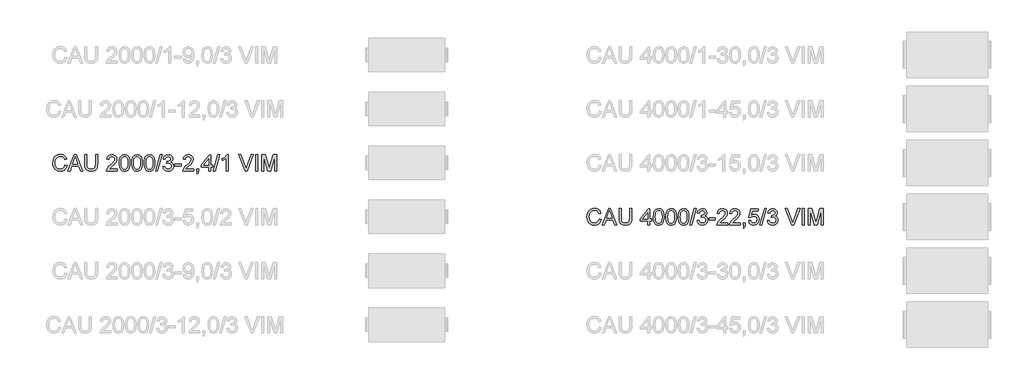
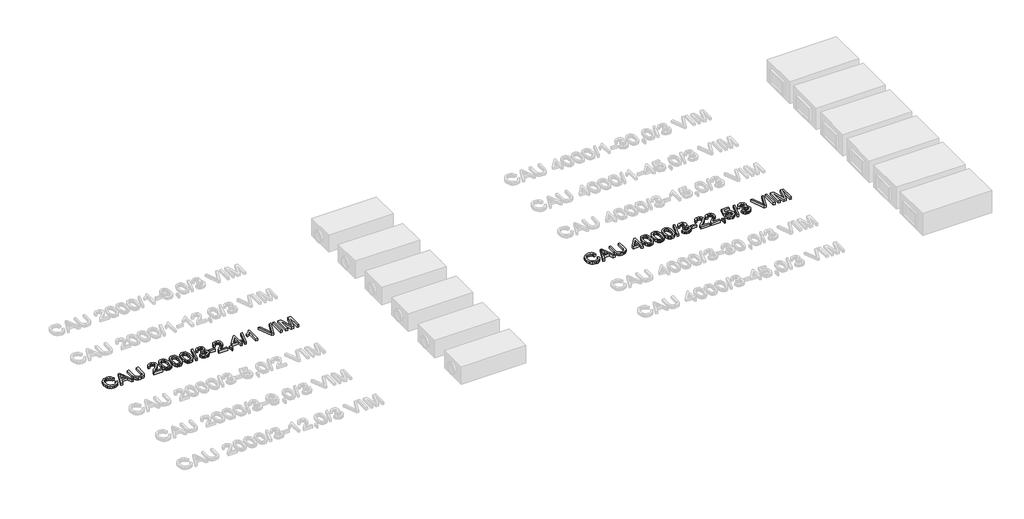
# One storey, part 62 of 74: 2 proxies.
"""IFC4 building model written with IfcOpenShell, lengths in millimetres."""

from ifc_helpers import new_model, si_unit, origin, origin_with_axes, place, context, project, spatial, polyline, outline, extrude, element, save

model = new_model("IFC4")

# Units and contexts
model_context = context("Model", 3, world=origin())
ifc_project = project(units=[si_unit("LENGTHUNIT", "METRE", prefix="MILLI")], contexts=[model_context])

# Site, building, storey
site = spatial("IfcSite", under=ifc_project)
building = spatial("IfcBuilding", under=site)
storey = spatial("IfcBuildingStorey", under=building, Elevation=0.0)

# Proxies
placement = place(None, origin())
element("IfcBuildingElementProxy", 1, Name="Generic Models", at=placement, inside=storey, context=model_context, shape_type="SweptSolid", body=[
    extrude(outline(polyline([(34655.0606318, -7799.1632103), (34692.7317481, -7808.875295), (34685.2775392, -7832.3024803), (34675.3493239, -7852.7728141), (34662.9471021, -7870.2862963), (34648.0708739, -7884.842927), (34631.0563316, -7896.2863563), (34612.2391676, -7904.4602344), (34591.6193818, -7909.3645613), (34569.1969742, -7910.9993369), (34525.5017902, -7906.051324), (34490.801321, -7891.2072855), (34464.2034527, -7866.9822562), (34444.8160716, -7833.8912707), (34432.9794684, -7794.9877497), (34429.033934, -7753.3251137), (34433.4945032, -7709.3816094), (34446.8762108, -7671.4345816), (34468.4800809, -7640.6888439), (34497.6071379, -7618.3492097), (34532.1512572, -7604.7467729), (34570.0063145, -7600.2126274), (34611.3102656, -7606.0803452), (34629.2790018, -7613.4149925), (34645.4589118, -7623.6834986), (34659.5832811, -7636.6145508), (34671.3853954, -7651.9368359), (34688.0228586, -7689.755105), (34650.3517423, -7698.7314257), (34637.2919315, -7671.2598377), (34619.4496547, -7652.4150825), (34596.6041828, -7641.5165784), (34568.5347866, -7637.8837437), (34536.1795651, -7641.9120515), (34509.6000909, -7653.996975), (34489.4309606, -7672.8693214), (34476.3067704, -7697.2598977), (34469.1054803, -7724.8326532), (34466.7050503, -7753.2515373), (34469.5469387, -7788.0531741), (34478.072604, -7818.1459213), (34492.6039428, -7842.3801477), (34513.4628519, -7859.6062222), (34538.4696305, -7869.897721), (34565.4445778, -7873.3282206), (34596.8892913, -7868.6561192), (34623.0916864, -7854.6398152), (34642.8745407, -7831.4264613), (34655.0606318, -7799.1632103)])), origin_with_axes(), (0.0, 0.0, 1.0), 50.0),
    extrude(outline(polyline([(34709.4335907, -7906.2904473), (34829.7310031, -7604.9215169), (34861.8103131, -7604.9215169), (34982.1077255, -7906.2904473), (34942.3028937, -7906.2904473), (34907.7955625, -7812.1126566), (34783.6721773, -7812.1126566), (34749.2384226, -7906.2904473), (34709.4335907, -7906.2904473)]), holes=[polyline([(34797.5045404, -7774.4415403), (34894.0367759, -7774.4415403), (34866.8870847, -7700.3501064), (34845.7706581, -7642.5926332), (34827.0086764, -7693.8753833), (34797.5045404, -7774.4415403)])]), origin_with_axes(), (0.0, 0.0, 1.0), 50.0),
    extrude(outline(polyline([(35220.1273764, -7604.9215169), (35257.7984927, -7604.9215169), (35257.7984927, -7778.7825478), (35255.2417129, -7819.4978876), (35247.5713733, -7850.8506307), (35233.2423696, -7875.0388719), (35210.7095973, -7894.2607061), (35179.9178743, -7906.8146792), (35140.8120183, -7910.9993369), (35102.5614878, -7907.3573051), (35071.981297, -7896.4312099), (35049.0622487, -7878.5981302), (35033.7951459, -7854.235145), (35025.2142983, -7821.5580268), (35022.3540158, -7778.7825478), (35022.3540158, -7604.9215169), (35060.0251321, -7604.9215169), (35060.0251321, -7777.4581726), (35061.8829362, -7811.3125132), (35067.4563484, -7834.8845521), (35077.5547092, -7851.2093156), (35092.9873589, -7863.3218303), (35113.110504, -7870.826623), (35137.2803511, -7873.3282206), (35175.5952609, -7868.3802077), (35189.9380602, -7862.1951917), (35201.0710891, -7853.5361692), (35209.4082148, -7841.3592752), (35215.3633046, -7824.6206444), (35220.1273764, -7777.4581726), (35220.1273764, -7604.9215169)])), origin_with_axes(), (0.0, 0.0, 1.0), 50.0),
    extrude(outline(polyline([(35620.3829872, -7868.619331), (35620.3829872, -7906.2904473), (35422.6096266, -7906.2904473), (35426.6563285, -7880.3179785), (35435.9453489, -7860.0200894), (35449.5385886, -7840.3292056), (35469.2018813, -7819.7186168), (35496.7010604, -7796.6616128), (35537.3520209, -7760.553995), (35561.7425971, -7733.9009444), (35573.9378853, -7712.2694831), (35578.0029813, -7691.226633), (35574.1678115, -7672.3634837), (35562.6623021, -7656.6825136), (35544.9763752, -7646.1151033), (35522.5999529, -7642.5926332), (35499.1014904, -7646.0323299), (35480.8453464, -7656.3514198), (35469.0639255, -7672.7405627), (35464.9896324, -7694.3904181), (35427.3185161, -7689.6815286), (35436.4511866, -7653.242817), (35444.9975452, -7638.7068796), (35456.1972527, -7626.6265546), (35469.7927917, -7617.1306006), (35485.5266448, -7610.3477763), (35523.4092932, -7604.9215169), (35543.599117, -7606.4298331), (35561.5678532, -7610.9547816), (35577.3155019, -7618.4963625), (35590.842063, -7629.0545758), (35601.7060781, -7641.8476722), (35609.466089, -7656.0939024), (35614.1220955, -7671.7932666), (35615.6740976, -7688.9457646), (35614.0002346, -7706.9627853), (35608.9786453, -7724.6671063), (35600.066704, -7742.67493), (35586.7217846, -7761.6024586), (35565.4490082, -7784.1996102), (35532.7534959, -7813.2163026), (35489.4169969, -7849.4526791), (35472.4208487, -7868.619331), (35620.3829872, -7868.619331)])), origin_with_axes(), (0.0, 0.0, 1.0), 50.0),
    extrude(outline(polyline([(35658.0541035, -7758.0340033), (35660.8224155, -7709.7954767), (35669.1273515, -7671.324217), (35682.8861382, -7642.0316132), (35702.0160019, -7621.3290539), (35726.6548985, -7609.0234011), (35756.9407838, -7604.9215169), (35780.1541377, -7607.3495381), (35800.9394704, -7614.6336016), (35818.3218947, -7626.4885989), (35831.3265232, -7642.6294214), (35841.1489725, -7662.9181134), (35848.984859, -7687.2167192), (35854.1168128, -7718.0728216), (35855.8274641, -7758.0340033), (35853.0867432, -7805.9966184), (35844.8645806, -7844.3759076), (35831.1885675, -7873.6961026), (35812.0862949, -7894.4814353), (35787.3922159, -7906.8698615), (35756.9407838, -7910.9993369), (35736.1922393, -7909.2059122), (35717.7981395, -7903.825638), (35701.7584845, -7894.8585143), (35688.0732743, -7882.3045413), (35674.9398871, -7859.6108207), (35665.5588962, -7831.3344908), (35659.9303017, -7797.4755517), (35658.0541035, -7758.0340033)]), holes=[polyline([(35695.7252198, -7757.9604269), (35700.1398037, -7817.2170193), (35705.6580337, -7837.4850179), (35713.3835556, -7851.5128183), (35733.1020305, -7867.87437), (35756.9407838, -7873.3282206), (35780.7795371, -7867.8559759), (35800.498012, -7851.4392419), (35808.2235339, -7837.3884489), (35813.7417638, -7817.1250488), (35818.1563478, -7757.9604269), (35813.8889166, -7700.0374067), (35808.5546277, -7679.8360867), (35801.0866232, -7665.4748933), (35781.4049365, -7648.3131982), (35756.4993254, -7642.5926332), (35732.9180895, -7647.6326165), (35713.9721667, -7662.7525665), (35705.9891275, -7678.3875513), (35700.2869565, -7699.4671897), (35695.7252198, -7757.9604269)])]), origin_with_axes(), (0.0, 0.0, 1.0), 50.0),
    extrude(outline(polyline([(35888.7896909, -7758.0340033), (35891.5580029, -7709.7954767), (35899.8629389, -7671.324217), (35913.6217255, -7642.0316132), (35932.7515893, -7621.3290539), (35957.3904859, -7609.0234011), (35987.6763712, -7604.9215169), (36010.8897251, -7607.3495381), (36031.6750578, -7614.6336016), (36049.0574821, -7626.4885989), (36062.0621106, -7642.6294214), (36071.8845599, -7662.9181134), (36079.7204464, -7687.2167192), (36084.8524002, -7718.0728216), (36086.5630515, -7758.0340033), (36083.8223306, -7805.9966184), (36075.600168, -7844.3759076), (36061.9241548, -7873.6961026), (36042.8218822, -7894.4814353), (36018.1278033, -7906.8698615), (35987.6763712, -7910.9993369), (35966.9278266, -7909.2059122), (35948.5337269, -7903.825638), (35932.4940719, -7894.8585143), (35918.8088617, -7882.3045413), (35905.6754744, -7859.6108207), (35896.2944836, -7831.3344908), (35890.665889, -7797.4755517), (35888.7896909, -7758.0340033)]), holes=[polyline([(35926.4608072, -7757.9604269), (35930.8753911, -7817.2170193), (35936.393621, -7837.4850179), (35944.1191429, -7851.5128183), (35963.8376179, -7867.87437), (35987.6763712, -7873.3282206), (36011.5151244, -7867.8559759), (36031.2335994, -7851.4392419), (36038.9591213, -7837.3884489), (36044.4773512, -7817.1250488), (36048.8919352, -7757.9604269), (36044.624504, -7700.0374067), (36039.2902151, -7679.8360867), (36031.8222106, -7665.4748933), (36012.1405238, -7648.3131982), (35987.2349128, -7642.5926332), (35963.6536769, -7647.6326165), (35944.7077541, -7662.7525665), (35936.7247148, -7678.3875513), (35931.0225439, -7699.4671897), (35926.4608072, -7757.9604269)])]), origin_with_axes(), (0.0, 0.0, 1.0), 50.0),
    extrude(outline(polyline([(36119.5252782, -7758.0340033), (36122.2935902, -7709.7954767), (36130.5985263, -7671.324217), (36144.3573129, -7642.0316132), (36163.4871767, -7621.3290539), (36188.1260733, -7609.0234011), (36218.4119585, -7604.9215169), (36241.6253124, -7607.3495381), (36262.4106452, -7614.6336016), (36279.7930694, -7626.4885989), (36292.797698, -7642.6294214), (36302.6201472, -7662.9181134), (36310.4560337, -7687.2167192), (36315.5879876, -7718.0728216), (36317.2986388, -7758.0340033), (36314.557918, -7805.9966184), (36306.3357554, -7844.3759076), (36292.6597422, -7873.6961026), (36273.5574696, -7894.4814353), (36248.8633907, -7906.8698615), (36218.4119585, -7910.9993369), (36197.663414, -7909.2059122), (36179.2693142, -7903.825638), (36163.2296593, -7894.8585143), (36149.544449, -7882.3045413), (36136.4110618, -7859.6108207), (36127.0300709, -7831.3344908), (36121.4014764, -7797.4755517), (36119.5252782, -7758.0340033)]), holes=[polyline([(36157.1963945, -7757.9604269), (36161.6109785, -7817.2170193), (36167.1292084, -7837.4850179), (36174.8547303, -7851.5128183), (36194.5732052, -7867.87437), (36218.4119585, -7873.3282206), (36242.2507118, -7867.8559759), (36261.9691868, -7851.4392419), (36269.6947087, -7837.3884489), (36275.2129386, -7817.1250488), (36279.6275225, -7757.9604269), (36275.3600914, -7700.0374067), (36270.0258025, -7679.8360867), (36262.557798, -7665.4748933), (36242.8761112, -7648.3131982), (36217.9705001, -7642.5926332), (36194.3892642, -7647.6326165), (36175.4433415, -7662.7525665), (36167.4603022, -7678.3875513), (36161.7581313, -7699.4671897), (36157.1963945, -7757.9604269)])]), origin_with_axes(), (0.0, 0.0, 1.0), 50.0),
    extrude(outline(polyline([(36331.4253075, -7906.2904473), (36416.1853191, -7604.9215169), (36450.1776155, -7604.9215169), (36365.4176038, -7906.2904473), (36331.4253075, -7906.2904473)])), origin_with_axes(), (0.0, 0.0, 1.0), 50.0),
    extrude(outline(polyline([(36467.9831041, -7826.2393252), (36505.6542204, -7821.5304357), (36514.0879151, -7845.203642), (36526.4395531, -7861.1881147), (36543.3161396, -7870.2931941), (36565.32468, -7873.3282206), (36591.149996, -7869.1527599), (36611.0892002, -7856.626378), (36623.8363113, -7837.9379726), (36628.0853484, -7815.2764417), (36623.8730995, -7793.7645421), (36611.236353, -7776.3177384), (36592.1064892, -7764.7570467), (36568.4148887, -7760.9034828), (36542.0009615, -7765.0237612), (36546.1948162, -7727.3526449), (36552.228081, -7727.7941033), (36574.7976414, -7725.0901706), (36594.9759688, -7716.9783726), (36609.213002, -7703.2563742), (36613.9586797, -7683.7218403), (36610.5189831, -7667.452259), (36600.1998931, -7654.2544924), (36584.4545437, -7645.508098), (36564.7360688, -7642.5926332), (36544.9808057, -7645.5356892), (36528.8307861, -7654.364857), (36517.0401681, -7669.0801369), (36510.3631099, -7689.6815286), (36472.6919936, -7684.972639), (36483.7836358, -7651.1458896), (36503.5205048, -7625.8907906), (36530.5230432, -7610.1638353), (36563.4116936, -7604.9215169), (36587.0940971, -7607.5058879), (36608.84512, -7615.259001), (36627.1840375, -7627.4910773), (36640.6301244, -7643.5123382), (36648.8798781, -7661.9708173), (36651.6297961, -7681.5145483), (36649.0178339, -7699.724707), (36641.1819474, -7716.2426086), (36628.2325012, -7730.3140949), (36610.2798598, -7741.1850079), (36633.8610957, -7750.7131516), (36651.3354905, -7766.9367476), (36662.1512211, -7788.9728791), (36665.7564647, -7815.9386293), (36663.9538429, -7835.050099), (36658.5459776, -7852.6532524), (36649.5328687, -7868.7480897), (36636.9145162, -7883.3346108), (36621.5416474, -7895.4379285), (36604.2649892, -7904.0831554), (36585.0845417, -7909.2702915), (36564.0003048, -7910.9993369), (36544.9440175, -7909.5232104), (36527.5799873, -7905.0948309), (36511.9082143, -7897.7141983), (36497.9286985, -7887.3813128), (36486.2070584, -7874.7031795), (36477.3089126, -7860.2868038), (36471.2342612, -7844.1321857), (36467.9831041, -7826.2393252)])), origin_with_axes(), (0.0, 0.0, 1.0), 50.0),
    extrude(outline(polyline([(36689.3009124, -7816.8215461), (36689.3009124, -7779.1504298), (36807.0231508, -7779.1504298), (36807.0231508, -7816.8215461), (36689.3009124, -7816.8215461)])), origin_with_axes(), (0.0, 0.0, 1.0), 50.0),
    extrude(outline(polyline([(37033.0498487, -7868.619331), (37033.0498487, -7906.2904473), (36835.276488, -7906.2904473), (36839.32319, -7880.3179785), (36848.6122104, -7860.0200894), (36862.2054501, -7840.3292056), (36881.8687427, -7819.7186168), (36909.3679219, -7796.6616128), (36950.0188823, -7760.553995), (36974.4094586, -7733.9009444), (36986.6047468, -7712.2694831), (36990.6698428, -7691.226633), (36986.834673, -7672.3634837), (36975.3291636, -7656.6825136), (36957.6432367, -7646.1151033), (36935.2668143, -7642.5926332), (36911.7683519, -7646.0323299), (36893.5122079, -7656.3514198), (36881.730787, -7672.7405627), (36877.6564939, -7694.3904181), (36839.9853776, -7689.6815286), (36849.1180481, -7653.242817), (36857.6644067, -7638.7068796), (36868.8641142, -7626.6265546), (36882.4596532, -7617.1306006), (36898.1935063, -7610.3477763), (36936.0761547, -7604.9215169), (36956.2659785, -7606.4298331), (36974.2347147, -7610.9547816), (36989.9823633, -7618.4963625), (37003.5089244, -7629.0545758), (37014.3729396, -7641.8476722), (37022.1329504, -7656.0939024), (37026.7889569, -7671.7932666), (37028.3409591, -7688.9457646), (37026.667096, -7706.9627853), (37021.6455068, -7724.6671063), (37012.7335655, -7742.67493), (36999.3886461, -7761.6024586), (36978.1158697, -7784.1996102), (36945.4203574, -7813.2163026), (36902.0838584, -7849.4526791), (36885.0877102, -7868.619331), (37033.0498487, -7868.619331)])), origin_with_axes(), (0.0, 0.0, 1.0), 50.0),
    extrude(outline(polyline([(37089.5565231, -7906.2904473), (37089.5565231, -7868.619331), (37127.2276394, -7868.619331), (37127.2276394, -7906.2904473), (37125.5353822, -7927.8391352), (37120.4586107, -7944.8076922), (37111.7030192, -7957.8215178), (37098.9743022, -7967.5060113), (37089.5565231, -7953.3793427), (37097.7235034, -7946.5551317), (37103.3888861, -7937.1189585), (37108.3185049, -7906.2904473), (37089.5565231, -7906.2904473)])), origin_with_axes(), (0.0, 0.0, 1.0), 50.0),
    extrude(outline(polyline([(37310.8743314, -7906.2904473), (37310.8743314, -7835.6571043), (37174.3165348, -7835.6571043), (37174.3165348, -7797.985988), (37320.2921105, -7609.6304064), (37348.5454477, -7609.6304064), (37348.5454477, -7797.985988), (37386.216564, -7797.985988), (37386.216564, -7835.6571043), (37348.5454477, -7835.6571043), (37348.5454477, -7906.2904473), (37310.8743314, -7906.2904473)]), holes=[polyline([(37310.8743314, -7797.985988), (37310.8743314, -7681.5881247), (37220.6696662, -7797.985988), (37310.8743314, -7797.985988)])]), origin_with_axes(), (0.0, 0.0, 1.0), 50.0),
    extrude(outline(polyline([(37400.3432326, -7906.2904473), (37485.1032443, -7604.9215169), (37519.0955407, -7604.9215169), (37434.335529, -7906.2904473), (37400.3432326, -7906.2904473)])), origin_with_axes(), (0.0, 0.0, 1.0), 50.0),
    extrude(outline(polyline([(37678.1677154, -7906.2904473), (37640.4965991, -7906.2904473), (37640.4965991, -7671.4345816), (37604.8120456, -7696.8552275), (37565.1543665, -7715.8747266), (37565.1543665, -7680.2637495), (37594.7412759, -7664.1689122), (37620.373454, -7645.0206544), (37640.5793725, -7624.6583859), (37653.8875037, -7604.9215169), (37678.1677154, -7604.9215169), (37678.1677154, -7906.2904473)])), origin_with_axes(), (0.0, 0.0, 1.0), 50.0),
    extrude(outline(polyline([(37988.5129665, -7906.2904473), (37868.5834361, -7604.9215169), (37908.9033028, -7604.9215169), (37989.1751541, -7822.0454704), (38005.4355383, -7870.9737758), (38021.4751933, -7822.0454704), (38101.9677738, -7604.9215169), (38142.2876405, -7604.9215169), (38027.4348816, -7906.2904473), (37988.5129665, -7906.2904473)])), origin_with_axes(), (0.0, 0.0, 1.0), 50.0),
    extrude(outline(polyline([(38182.018896, -7906.2904473), (38182.018896, -7604.9215169), (38219.6900123, -7604.9215169), (38219.6900123, -7906.2904473), (38182.018896, -7906.2904473)])), origin_with_axes(), (0.0, 0.0, 1.0), 50.0),
    extrude(outline(polyline([(38295.0322449, -7906.2904473), (38295.0322449, -7604.9215169), (38359.8530525, -7604.9215169), (38421.5100748, -7817.3365809), (38433.9444863, -7861.7031495), (38447.4089673, -7813.657761), (38508.0359201, -7604.9215169), (38572.8567277, -7604.9215169), (38572.8567277, -7906.2904473), (38535.1856114, -7906.2904473), (38535.1856114, -7642.5926332), (38459.4754968, -7906.2904473), (38408.4134758, -7906.2904473), (38332.7033612, -7642.5926332), (38332.7033612, -7906.2904473), (38295.0322449, -7906.2904473)])), origin_with_axes(), (0.0, 0.0, 1.0), 50.0),
])
element("IfcBuildingElementProxy", 2, Name="Generic Models", at=placement, inside=storey, context=model_context, shape_type="SweptSolid", body=[
    extrude(outline(polyline([(44539.6928381, -8799.1632103), (44577.3639544, -8808.875295), (44569.9097455, -8832.3024803), (44559.9815302, -8852.7728141), (44547.5793084, -8870.2862963), (44532.7030802, -8884.842927), (44515.688538, -8896.2863563), (44496.8713739, -8904.4602344), (44476.2515881, -8909.3645613), (44453.8291805, -8910.9993369), (44410.1339965, -8906.051324), (44375.4335273, -8891.2072855), (44348.835659, -8866.9822562), (44329.4482779, -8833.8912707), (44317.6116747, -8794.9877497), (44313.6661403, -8753.3251137), (44318.1267095, -8709.3816094), (44331.5084171, -8671.4345816), (44353.1122872, -8640.6888439), (44382.2393442, -8618.3492097), (44416.7834636, -8604.7467729), (44454.6385209, -8600.2126274), (44495.9424719, -8606.0803452), (44513.9112081, -8613.4149925), (44530.0911181, -8623.6834986), (44544.2154874, -8636.6145508), (44556.0176017, -8651.9368359), (44572.6550649, -8689.755105), (44534.9839486, -8698.7314257), (44521.9241378, -8671.2598377), (44504.081861, -8652.4150825), (44481.2363891, -8641.5165784), (44453.1669929, -8637.8837437), (44420.8117714, -8641.9120515), (44394.2322973, -8653.996975), (44374.0631669, -8672.8693214), (44360.9389767, -8697.2598977), (44353.7376866, -8724.8326532), (44351.3372566, -8753.2515373), (44354.179145, -8788.0531741), (44362.7048103, -8818.1459213), (44377.2361491, -8842.3801477), (44398.0950582, -8859.6062222), (44423.1018368, -8869.897721), (44450.0767841, -8873.3282206), (44481.5214977, -8868.6561192), (44507.7238928, -8854.6398152), (44527.5067471, -8831.4264613), (44539.6928381, -8799.1632103)])), origin_with_axes(), (0.0, 0.0, 1.0), 50.0),
    extrude(outline(polyline([(44594.065797, -8906.2904473), (44714.3632095, -8604.9215169), (44746.4425194, -8604.9215169), (44866.7399319, -8906.2904473), (44826.9351, -8906.2904473), (44792.4277688, -8812.1126566), (44668.3043837, -8812.1126566), (44633.8706289, -8906.2904473), (44594.065797, -8906.2904473)]), holes=[polyline([(44682.1367467, -8774.4415403), (44778.6689822, -8774.4415403), (44751.519291, -8700.3501064), (44730.4028644, -8642.5926332), (44711.6408827, -8693.8753833), (44682.1367467, -8774.4415403)])]), origin_with_axes(), (0.0, 0.0, 1.0), 50.0),
    extrude(outline(polyline([(45104.7595827, -8604.9215169), (45142.430699, -8604.9215169), (45142.430699, -8778.7825478), (45139.8739192, -8819.4978876), (45132.2035796, -8850.8506307), (45117.8745759, -8875.0388719), (45095.3418037, -8894.2607061), (45064.5500807, -8906.8146792), (45025.4442246, -8910.9993369), (44987.1936941, -8907.3573051), (44956.6135033, -8896.4312099), (44933.694455, -8878.5981302), (44918.4273522, -8854.235145), (44909.8465046, -8821.5580268), (44906.9862221, -8778.7825478), (44906.9862221, -8604.9215169), (44944.6573384, -8604.9215169), (44944.6573384, -8777.4581726), (44946.5151425, -8811.3125132), (44952.0885547, -8834.8845521), (44962.1869155, -8851.2093156), (44977.6195652, -8863.3218303), (44997.7427103, -8870.826623), (45021.9125574, -8873.3282206), (45060.2274672, -8868.3802077), (45074.5702665, -8862.1951917), (45085.7032954, -8853.5361692), (45094.0404211, -8841.3592752), (45099.9955109, -8824.6206444), (45104.7595827, -8777.4581726), (45104.7595827, -8604.9215169)])), origin_with_axes(), (0.0, 0.0, 1.0), 50.0),
    extrude(outline(polyline([(45434.3818504, -8906.2904473), (45434.3818504, -8835.6571043), (45297.8240538, -8835.6571043), (45297.8240538, -8797.985988), (45443.7996295, -8609.6304064), (45472.0529667, -8609.6304064), (45472.0529667, -8797.985988), (45509.724083, -8797.985988), (45509.724083, -8835.6571043), (45472.0529667, -8835.6571043), (45472.0529667, -8906.2904473), (45434.3818504, -8906.2904473)]), holes=[polyline([(45434.3818504, -8797.985988), (45434.3818504, -8681.5881247), (45344.1771852, -8797.985988), (45434.3818504, -8797.985988)])]), origin_with_axes(), (0.0, 0.0, 1.0), 50.0),
    extrude(outline(polyline([(45542.6863098, -8758.0340033), (45545.4546218, -8709.7954767), (45553.7595578, -8671.324217), (45567.5183445, -8642.0316132), (45586.6482082, -8621.3290539), (45611.2871048, -8609.0234011), (45641.5729901, -8604.9215169), (45664.786344, -8607.3495381), (45685.5716767, -8614.6336016), (45702.954101, -8626.4885989), (45715.9587295, -8642.6294214), (45725.7811788, -8662.9181134), (45733.6170653, -8687.2167192), (45738.7490191, -8718.0728216), (45740.4596704, -8758.0340033), (45737.7189495, -8805.9966184), (45729.4967869, -8844.3759076), (45715.8207738, -8873.6961026), (45696.7185012, -8894.4814353), (45672.0244222, -8906.8698615), (45641.5729901, -8910.9993369), (45620.8244456, -8909.2059122), (45602.4303458, -8903.825638), (45586.3906908, -8894.8585143), (45572.7054806, -8882.3045413), (45559.5720934, -8859.6108207), (45550.1911025, -8831.3344908), (45544.562508, -8797.4755517), (45542.6863098, -8758.0340033)]), holes=[polyline([(45580.3574261, -8757.9604269), (45584.77201, -8817.2170193), (45590.29024, -8837.4850179), (45598.0157619, -8851.5128183), (45617.7342368, -8867.87437), (45641.5729901, -8873.3282206), (45665.4117434, -8867.8559759), (45685.1302183, -8851.4392419), (45692.8557402, -8837.3884489), (45698.3739702, -8817.1250488), (45702.7885541, -8757.9604269), (45698.5211229, -8700.0374067), (45693.186834, -8679.8360867), (45685.7188295, -8665.4748933), (45666.0371428, -8648.3131982), (45641.1315317, -8642.5926332), (45617.5502958, -8647.6326165), (45598.6043731, -8662.7525665), (45590.6213338, -8678.3875513), (45584.9191628, -8699.4671897), (45580.3574261, -8757.9604269)])]), origin_with_axes(), (0.0, 0.0, 1.0), 50.0),
    extrude(outline(polyline([(45773.4218972, -8758.0340033), (45776.1902092, -8709.7954767), (45784.4951452, -8671.324217), (45798.2539318, -8642.0316132), (45817.3837956, -8621.3290539), (45842.0226922, -8609.0234011), (45872.3085775, -8604.9215169), (45895.5219314, -8607.3495381), (45916.3072641, -8614.6336016), (45933.6896884, -8626.4885989), (45946.6943169, -8642.6294214), (45956.5167662, -8662.9181134), (45964.3526527, -8687.2167192), (45969.4846065, -8718.0728216), (45971.1952578, -8758.0340033), (45968.4545369, -8805.9966184), (45960.2323743, -8844.3759076), (45946.5563611, -8873.6961026), (45927.4540885, -8894.4814353), (45902.7600096, -8906.8698615), (45872.3085775, -8910.9993369), (45851.5600329, -8909.2059122), (45833.1659332, -8903.825638), (45817.1262782, -8894.8585143), (45803.441068, -8882.3045413), (45790.3076807, -8859.6108207), (45780.9266899, -8831.3344908), (45775.2980953, -8797.4755517), (45773.4218972, -8758.0340033)]), holes=[polyline([(45811.0930135, -8757.9604269), (45815.5075974, -8817.2170193), (45821.0258273, -8837.4850179), (45828.7513492, -8851.5128183), (45848.4698242, -8867.87437), (45872.3085775, -8873.3282206), (45896.1473308, -8867.8559759), (45915.8658057, -8851.4392419), (45923.5913276, -8837.3884489), (45929.1095575, -8817.1250488), (45933.5241415, -8757.9604269), (45929.2567103, -8700.0374067), (45923.9224214, -8679.8360867), (45916.4544169, -8665.4748933), (45896.7727302, -8648.3131982), (45871.8671191, -8642.5926332), (45848.2858832, -8647.6326165), (45829.3399604, -8662.7525665), (45821.3569211, -8678.3875513), (45815.6547502, -8699.4671897), (45811.0930135, -8757.9604269)])]), origin_with_axes(), (0.0, 0.0, 1.0), 50.0),
    extrude(outline(polyline([(46004.1574845, -8758.0340033), (46006.9257966, -8709.7954767), (46015.2307326, -8671.324217), (46028.9895192, -8642.0316132), (46048.119383, -8621.3290539), (46072.7582796, -8609.0234011), (46103.0441648, -8604.9215169), (46126.2575187, -8607.3495381), (46147.0428515, -8614.6336016), (46164.4252757, -8626.4885989), (46177.4299043, -8642.6294214), (46187.2523535, -8662.9181134), (46195.08824, -8687.2167192), (46200.2201939, -8718.0728216), (46201.9308451, -8758.0340033), (46199.1901243, -8805.9966184), (46190.9679617, -8844.3759076), (46177.2919485, -8873.6961026), (46158.1896759, -8894.4814353), (46133.495597, -8906.8698615), (46103.0441648, -8910.9993369), (46082.2956203, -8909.2059122), (46063.9015206, -8903.825638), (46047.8618656, -8894.8585143), (46034.1766553, -8882.3045413), (46021.0432681, -8859.6108207), (46011.6622772, -8831.3344908), (46006.0336827, -8797.4755517), (46004.1574845, -8758.0340033)]), holes=[polyline([(46041.8286008, -8757.9604269), (46046.2431848, -8817.2170193), (46051.7614147, -8837.4850179), (46059.4869366, -8851.5128183), (46079.2054116, -8867.87437), (46103.0441648, -8873.3282206), (46126.8829181, -8867.8559759), (46146.6013931, -8851.4392419), (46154.326915, -8837.3884489), (46159.8451449, -8817.1250488), (46164.2597288, -8757.9604269), (46159.9922977, -8700.0374067), (46154.6580088, -8679.8360867), (46147.1900043, -8665.4748933), (46127.5083175, -8648.3131982), (46102.6027065, -8642.5926332), (46079.0214706, -8647.6326165), (46060.0755478, -8662.7525665), (46052.0925085, -8678.3875513), (46046.3903376, -8699.4671897), (46041.8286008, -8757.9604269)])]), origin_with_axes(), (0.0, 0.0, 1.0), 50.0),
    extrude(outline(polyline([(46216.0575138, -8906.2904473), (46300.8175255, -8604.9215169), (46334.8098218, -8604.9215169), (46250.0498101, -8906.2904473), (46216.0575138, -8906.2904473)])), origin_with_axes(), (0.0, 0.0, 1.0), 50.0),
    extrude(outline(polyline([(46352.6153104, -8826.2393252), (46390.2864267, -8821.5304357), (46398.7201214, -8845.203642), (46411.0717594, -8861.1881147), (46427.9483459, -8870.2931941), (46449.9568863, -8873.3282206), (46475.7822024, -8869.1527599), (46495.7214065, -8856.626378), (46508.4685176, -8837.9379726), (46512.7175547, -8815.2764417), (46508.5053058, -8793.7645421), (46495.8685593, -8776.3177384), (46476.7386955, -8764.7570467), (46453.0470951, -8760.9034828), (46426.6331678, -8765.0237612), (46430.8270225, -8727.3526449), (46436.8602873, -8727.7941033), (46459.4298477, -8725.0901706), (46479.6081751, -8716.9783726), (46493.8452083, -8703.2563742), (46498.5908861, -8683.7218403), (46495.1511894, -8667.452259), (46484.8320994, -8654.2544924), (46469.08675, -8645.508098), (46449.3682751, -8642.5926332), (46429.613012, -8645.5356892), (46413.4629924, -8654.364857), (46401.6723744, -8669.0801369), (46394.9953162, -8689.6815286), (46357.3241999, -8684.972639), (46368.4158421, -8651.1458896), (46388.1527111, -8625.8907906), (46415.1552496, -8610.1638353), (46448.0438999, -8604.9215169), (46471.7263034, -8607.5058879), (46493.4773263, -8615.259001), (46511.8162438, -8627.4910773), (46525.2623307, -8643.5123382), (46533.5120845, -8661.9708173), (46536.2620024, -8681.5145483), (46533.6500402, -8699.724707), (46525.8141537, -8716.2426086), (46512.8647075, -8730.3140949), (46494.9120661, -8741.1850079), (46518.493302, -8750.7131516), (46535.9676968, -8766.9367476), (46546.7834274, -8788.9728791), (46550.388671, -8815.9386293), (46548.5860492, -8835.050099), (46543.1781839, -8852.6532524), (46534.165075, -8868.7480897), (46521.5467226, -8883.3346108), (46506.1738537, -8895.4379285), (46488.8971955, -8904.0831554), (46469.716748, -8909.2702915), (46448.6325111, -8910.9993369), (46429.5762238, -8909.5232104), (46412.2121936, -8905.0948309), (46396.5404206, -8897.7141983), (46382.5609048, -8887.3813128), (46370.8392647, -8874.7031795), (46361.941119, -8860.2868038), (46355.8664675, -8844.1321857), (46352.6153104, -8826.2393252)])), origin_with_axes(), (0.0, 0.0, 1.0), 50.0),
    extrude(outline(polyline([(46573.9331187, -8816.8215461), (46573.9331187, -8779.1504298), (46691.6553571, -8779.1504298), (46691.6553571, -8816.8215461), (46573.9331187, -8816.8215461)])), origin_with_axes(), (0.0, 0.0, 1.0), 50.0),
    extrude(outline(polyline([(46917.682055, -8868.619331), (46917.682055, -8906.2904473), (46719.9086944, -8906.2904473), (46723.9553963, -8880.3179785), (46733.2444167, -8860.0200894), (46746.8376564, -8840.3292056), (46766.500949, -8819.7186168), (46794.0001282, -8796.6616128), (46834.6510887, -8760.553995), (46859.0416649, -8733.9009444), (46871.2369531, -8712.2694831), (46875.3020491, -8691.226633), (46871.4668793, -8672.3634837), (46859.9613699, -8656.6825136), (46842.275443, -8646.1151033), (46819.8990206, -8642.5926332), (46796.4005582, -8646.0323299), (46778.1444142, -8656.3514198), (46766.3629933, -8672.7405627), (46762.2887002, -8694.3904181), (46724.6175839, -8689.6815286), (46733.7502544, -8653.242817), (46742.296613, -8638.7068796), (46753.4963205, -8626.6265546), (46767.0918595, -8617.1306006), (46782.8257126, -8610.3477763), (46820.708361, -8604.9215169), (46840.8981848, -8606.4298331), (46858.866921, -8610.9547816), (46874.6145696, -8618.4963625), (46888.1411308, -8629.0545758), (46899.0051459, -8641.8476722), (46906.7651568, -8656.0939024), (46911.4211633, -8671.7932666), (46912.9731654, -8688.9457646), (46911.2993023, -8706.9627853), (46906.2777131, -8724.6671063), (46897.3657718, -8742.67493), (46884.0208524, -8761.6024586), (46862.748076, -8784.1996102), (46830.0525637, -8813.2163026), (46786.7160647, -8849.4526791), (46769.7199165, -8868.619331), (46917.682055, -8868.619331)])), origin_with_axes(), (0.0, 0.0, 1.0), 50.0),
    extrude(outline(polyline([(47148.4176423, -8868.619331), (47148.4176423, -8906.2904473), (46950.6442817, -8906.2904473), (46954.6909837, -8880.3179785), (46963.9800041, -8860.0200894), (46977.5732438, -8840.3292056), (46997.2365364, -8819.7186168), (47024.7357156, -8796.6616128), (47065.386676, -8760.553995), (47089.7772523, -8733.9009444), (47101.9725404, -8712.2694831), (47106.0376365, -8691.226633), (47102.2024667, -8672.3634837), (47090.6969573, -8656.6825136), (47073.0110304, -8646.1151033), (47050.634608, -8642.5926332), (47027.1361456, -8646.0323299), (47008.8800016, -8656.3514198), (46997.0985807, -8672.7405627), (46993.0242876, -8694.3904181), (46955.3531713, -8689.6815286), (46964.4858418, -8653.242817), (46973.0322004, -8638.7068796), (46984.2319079, -8626.6265546), (46997.8274469, -8617.1306006), (47013.5613, -8610.3477763), (47051.4439484, -8604.9215169), (47071.6337722, -8606.4298331), (47089.6025084, -8610.9547816), (47105.350157, -8618.4963625), (47118.8767181, -8629.0545758), (47129.7407333, -8641.8476722), (47137.5007441, -8656.0939024), (47142.1567506, -8671.7932666), (47143.7087528, -8688.9457646), (47142.0348897, -8706.9627853), (47137.0133005, -8724.6671063), (47128.1013592, -8742.67493), (47114.7564398, -8761.6024586), (47093.4836634, -8784.1996102), (47060.7881511, -8813.2163026), (47017.4516521, -8849.4526791), (47000.4555039, -8868.619331), (47148.4176423, -8868.619331)])), origin_with_axes(), (0.0, 0.0, 1.0), 50.0),
    extrude(outline(polyline([(47204.9243168, -8906.2904473), (47204.9243168, -8868.619331), (47242.5954331, -8868.619331), (47242.5954331, -8906.2904473), (47240.9031759, -8927.8391352), (47235.8264044, -8944.8076922), (47227.0708129, -8957.8215178), (47214.3420959, -8967.5060113), (47204.9243168, -8953.3793427), (47213.0912971, -8946.5551317), (47218.7566798, -8937.1189585), (47223.6862986, -8906.2904473), (47204.9243168, -8906.2904473)])), origin_with_axes(), (0.0, 0.0, 1.0), 50.0),
    extrude(outline(polyline([(47303.8109971, -8826.2393252), (47341.4821134, -8821.5304357), (47348.3982949, -8844.1459813), (47360.4648244, -8860.3419861), (47377.6265194, -8870.081662), (47399.8281978, -8873.3282206), (47426.8307363, -8868.8124691), (47447.064246, -8855.2652146), (47459.7009926, -8834.2499556), (47463.9132414, -8807.3301906), (47459.967707, -8781.9831212), (47448.1311038, -8762.59574), (47428.3114613, -8750.2900873), (47400.416809, -8746.188203), (47382.1422709, -8747.8252779), (47367.3442177, -8752.7365026), (47346.1910029, -8769.7326507), (47308.5198866, -8765.0237612), (47341.4821134, -8609.6304064), (47487.4576891, -8609.6304064), (47487.4576891, -8647.3015227), (47371.9427426, -8647.3015227), (47355.8295112, -8730.2957008), (47382.7400792, -8713.9617403), (47410.9382341, -8708.5170867), (47429.2840493, -8710.2047454), (47446.135344, -8715.2677213), (47461.492118, -8723.7060146), (47475.3543715, -8735.5196252), (47486.8299904, -8749.9865846), (47495.0268611, -8766.3849246), (47499.9449836, -8784.714645), (47501.5843577, -8804.9757459), (47495.6798517, -8842.6468622), (47488.2992192, -8859.4406753), (47477.9663336, -8874.873325), (47462.3129547, -8890.6784552), (47444.0476137, -8901.9678339), (47423.1703104, -8908.7414611), (47399.681045, -8910.9993369), (47362.6813134, -8905.1959984), (47347.0026426, -8897.9418253), (47333.2047685, -8887.785983), (47321.724551, -8875.2343092), (47312.9988499, -8860.7926416), (47303.8109971, -8826.2393252)])), origin_with_axes(), (0.0, 0.0, 1.0), 50.0),
    extrude(outline(polyline([(47515.7110263, -8906.2904473), (47600.471038, -8604.9215169), (47634.4633344, -8604.9215169), (47549.7033227, -8906.2904473), (47515.7110263, -8906.2904473)])), origin_with_axes(), (0.0, 0.0, 1.0), 50.0),
    extrude(outline(polyline([(47652.2688229, -8826.2393252), (47689.9399392, -8821.5304357), (47698.373634, -8845.203642), (47710.725272, -8861.1881147), (47727.6018585, -8870.2931941), (47749.6103989, -8873.3282206), (47775.4357149, -8869.1527599), (47795.3749191, -8856.626378), (47808.1220302, -8837.9379726), (47812.3710672, -8815.2764417), (47808.1588184, -8793.7645421), (47795.5220719, -8776.3177384), (47776.3922081, -8764.7570467), (47752.7006076, -8760.9034828), (47726.2866804, -8765.0237612), (47730.4805351, -8727.3526449), (47736.5137998, -8727.7941033), (47759.0833602, -8725.0901706), (47779.2616877, -8716.9783726), (47793.4987209, -8703.2563742), (47798.2443986, -8683.7218403), (47794.804702, -8667.452259), (47784.485612, -8654.2544924), (47768.7402626, -8645.508098), (47749.0217877, -8642.5926332), (47729.2665245, -8645.5356892), (47713.1165049, -8654.364857), (47701.325887, -8669.0801369), (47694.6488288, -8689.6815286), (47656.9777125, -8684.972639), (47668.0693546, -8651.1458896), (47687.8062237, -8625.8907906), (47714.8087621, -8610.1638353), (47747.6974125, -8604.9215169), (47771.3798159, -8607.5058879), (47793.1308389, -8615.259001), (47811.4697563, -8627.4910773), (47824.9158433, -8643.5123382), (47833.165597, -8661.9708173), (47835.9155149, -8681.5145483), (47833.3035528, -8699.724707), (47825.4676663, -8716.2426086), (47812.51822, -8730.3140949), (47794.5655787, -8741.1850079), (47818.1468146, -8750.7131516), (47835.6212093, -8766.9367476), (47846.43694, -8788.9728791), (47850.0421835, -8815.9386293), (47848.2395618, -8835.050099), (47842.8316964, -8852.6532524), (47833.8185876, -8868.7480897), (47821.2002351, -8883.3346108), (47805.8273662, -8895.4379285), (47788.550708, -8904.0831554), (47769.3702605, -8909.2702915), (47748.2860237, -8910.9993369), (47729.2297363, -8909.5232104), (47711.8657062, -8905.0948309), (47696.1939332, -8897.7141983), (47682.2144173, -8887.3813128), (47670.4927773, -8874.7031795), (47661.5946315, -8860.2868038), (47655.5199801, -8844.1321857), (47652.2688229, -8826.2393252)])), origin_with_axes(), (0.0, 0.0, 1.0), 50.0),
    extrude(outline(polyline([(48103.8807602, -8906.2904473), (47983.9512298, -8604.9215169), (48024.2710965, -8604.9215169), (48104.5429478, -8822.0454704), (48120.803332, -8870.9737758), (48136.842987, -8822.0454704), (48217.3355675, -8604.9215169), (48257.6554342, -8604.9215169), (48142.8026753, -8906.2904473), (48103.8807602, -8906.2904473)])), origin_with_axes(), (0.0, 0.0, 1.0), 50.0),
    extrude(outline(polyline([(48297.3866897, -8906.2904473), (48297.3866897, -8604.9215169), (48335.057806, -8604.9215169), (48335.057806, -8906.2904473), (48297.3866897, -8906.2904473)])), origin_with_axes(), (0.0, 0.0, 1.0), 50.0),
    extrude(outline(polyline([(48410.4000386, -8906.2904473), (48410.4000386, -8604.9215169), (48475.2208461, -8604.9215169), (48536.8778685, -8817.3365809), (48549.31228, -8861.7031495), (48562.776761, -8813.657761), (48623.4037138, -8604.9215169), (48688.2245214, -8604.9215169), (48688.2245214, -8906.2904473), (48650.553405, -8906.2904473), (48650.553405, -8642.5926332), (48574.8432904, -8906.2904473), (48523.7812695, -8906.2904473), (48448.0711549, -8642.5926332), (48448.0711549, -8906.2904473), (48410.4000386, -8906.2904473)])), origin_with_axes(), (0.0, 0.0, 1.0), 50.0),
])

save(model, "model.ifc")
